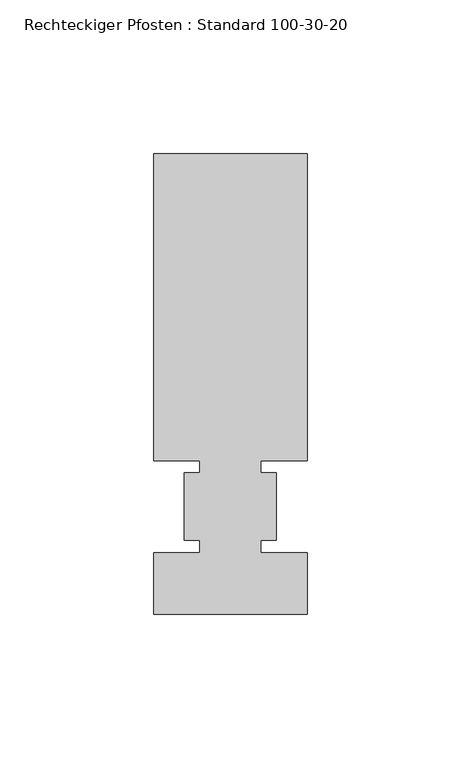
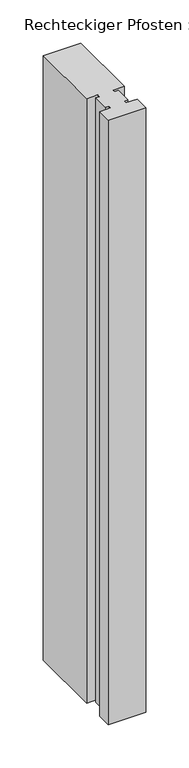
"""IFC4 building model written with IfcOpenShell, lengths in millimetres: member geometry, Rechteckiger Pfosten : Standard 100-30-20."""

from ifc_helpers import new_model, si_unit, frame, origin, place, context, project, spatial, polyline, outline, extrude, source, transform, mapped, element, save


def rechteckiger_pfosten_standard_100_30_20_9e483b3a(model_context):
    return source(origin(), model_context, "Body", "SweptSolid", [
        extrude(outline(polyline([(0.0, 115.0), (0.0, 15.0), (-15.0, 15.0), (-15.0, 11.0), (-10.0, 11.0), (-10.0, -11.0), (-15.0, -11.0), (-15.0, -15.0), (0.0, -15.0), (0.0, -35.0), (-50.0, -35.0), (-50.0, -15.0), (-35.0, -15.0), (-35.0, -11.0), (-40.0, -11.0), (-40.0, 11.0), (-35.0, 11.0), (-35.0, 15.0), (-50.0, 15.0), (-50.0, 115.0), (0.0, 115.0)])), frame((0.0, 0.0, -852.5000002), z_axis=(0.0, 0.0, 1.0), x_axis=(1.0, 0.0, 0.0)), (0.0, 0.0, 1.0), 852.5000002),
    ])


if __name__ == "__main__":
    model = new_model("IFC4")
    model_context = context("Model", 3, world=origin())
    ifc_project = project(units=[si_unit("LENGTHUNIT", "METRE", prefix="MILLI")], contexts=[model_context])
    site = spatial("IfcSite", under=ifc_project)
    building = spatial("IfcBuilding", under=site)
    placement = place(None, origin())
    rechteckiger_pfosten_standard_100_30_20_shape = rechteckiger_pfosten_standard_100_30_20_9e483b3a(model_context)
    element("IfcMember", 1, ObjectType="Rechteckiger Pfosten : Standard 100-30-20", at=placement, inside=building, context=model_context, shape_type="MappedRepresentation", body=[
        mapped(rechteckiger_pfosten_standard_100_30_20_shape, transform((0.0, 0.0, 0.0), x_axis=(1.0, 0.0, 0.0), y_axis=(0.0, 1.0, 0.0), z_axis=(0.0, 0.0, 1.0))),
    ])
    save(model, "model.ifc")
